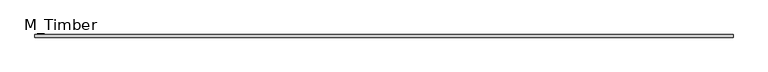
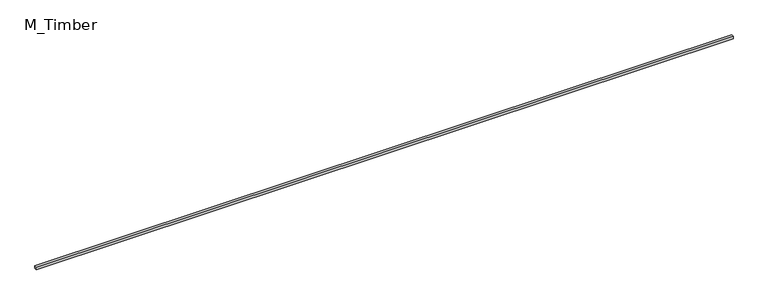
"""IFC4 building model written with IfcOpenShell, lengths in millimetres: beam geometry, M_Timber."""

import ifcopenshell
import ifcopenshell.guid

model = None  # the IFC model being written
_history = None  # IfcOwnerHistory: only IFC2X3 demands one
_inside = {}  # id of a spatial element -> (the spatial element, [elements in it])
_under = {}  # id of a project, library or spatial element -> (it, [spatial elements below it])
_declared = {}  # id of a project -> (the project, [libraries it declares])
_typed = {}  # id of a type object -> (the type object, [elements of that type])
_made_of = {}  # id of a material, layer set ... -> (it, [elements and type objects made of it])


def new_model(schema):
    """Start an empty IFC model of exactly this schema.

    Asked for "IFC4X3", IfcOpenShell would pick the latest addendum, in which some entities
    have other attributes; the version numbers below select the first issue.
    IFC2X3 requires an IfcOwnerHistory on every rooted entity: one is made here for all.
    """
    global model, _history
    if schema == "IFC4X3":
        model = ifcopenshell.file(schema_version=(4, 3, 0, 0))
    else:
        model = ifcopenshell.file(schema=schema)
    _inside.clear()
    _under.clear()
    _declared.clear()
    _typed.clear()
    _made_of.clear()
    _history = None
    if model.schema == "IFC2X3":
        org = make("IfcOrganization", Name="unknown")
        user = make(
            "IfcPersonAndOrganization",
            ThePerson=make("IfcPerson", FamilyName="unknown"),
            TheOrganization=org,
        )
        app = make(
            "IfcApplication",
            ApplicationDeveloper=org,
            Version="unknown",
            ApplicationFullName="unknown",
            ApplicationIdentifier="unknown",
        )
        _history = make(
            "IfcOwnerHistory",
            OwningUser=user,
            OwningApplication=app,
            ChangeAction="ADDED",
            CreationDate=0,
        )
    return model


def make(cls, **values):
    """One entity of the class cls with the attributes given. An attribute that is None is left unset."""
    return model.create_entity(
        cls, **{name: value for name, value in values.items() if value is not None}
    )


def rooted(cls, **values):
    """An entity with a GlobalId (a new one), such as an element, a storey or a relation."""
    return make(cls, GlobalId=ifcopenshell.guid.new(), OwnerHistory=_history, **values)


def si_unit(unit_type, name, prefix=None):
    """IfcSIUnit, for example si_unit("LENGTHUNIT", "METRE", prefix="MILLI")."""
    return make("IfcSIUnit", UnitType=unit_type, Prefix=prefix, Name=name)


def assignment(units):
    """IfcUnitAssignment: the units of a project."""
    return None if units is None else make("IfcUnitAssignment", Units=units)


def point(xyz):
    """IfcCartesianPoint."""
    return None if xyz is None else make("IfcCartesianPoint", Coordinates=xyz)


def direction(xyz):
    """IfcDirection."""
    return None if xyz is None else make("IfcDirection", DirectionRatios=xyz)


def frame(location, z_axis=None, x_axis=None):
    """IfcAxis2Placement3D, a coordinate frame: its origin and axes. An axis left out is left unset."""
    return make(
        "IfcAxis2Placement3D",
        Location=point(location),
        Axis=direction(z_axis),
        RefDirection=direction(x_axis),
    )


def origin():
    """The frame at (0, 0, 0) with its axes left unset."""
    return frame((0.0, 0.0, 0.0))


def place(relative_to, where):
    """IfcLocalPlacement: puts the frame where relative to a parent placement (None: the world)."""
    return make(
        "IfcLocalPlacement", PlacementRelTo=relative_to, RelativePlacement=where
    )


def context(
    kind, dimensions, precision=None, world=None, true_north=None, identifier=None
):
    """IfcGeometricRepresentationContext, for example the 3D "Model" context."""
    return make(
        "IfcGeometricRepresentationContext",
        ContextIdentifier=identifier,
        ContextType=kind,
        CoordinateSpaceDimension=dimensions,
        Precision=precision,
        WorldCoordinateSystem=world,
        TrueNorth=true_north,
    )


def project(units=None, contexts=None):
    """IfcProject with its units and contexts."""
    return rooted(
        "IfcProject",
        Name="project",
        RepresentationContexts=contexts,
        UnitsInContext=assignment(units),
    )


def spatial(cls, under=None, at=None, **own):
    """A site, building, storey or space (cls), placed at a placement, below another one or the project."""
    s = rooted(cls, ObjectPlacement=at, **own)
    if under is not None:
        _under.setdefault(under.id(), (under, []))[1].append(s)
    return s


def polyline(points):
    """IfcPolyline through the points."""
    return make("IfcPolyline", Points=[point(p) for p in points])


def outline(outer, holes=None, kind="AREA"):
    """IfcArbitraryClosedProfileDef: a profile drawn as a closed curve; with holes, ...WithVoids."""
    if holes is None:
        return make("IfcArbitraryClosedProfileDef", ProfileType=kind, OuterCurve=outer)
    return make(
        "IfcArbitraryProfileDefWithVoids",
        ProfileType=kind,
        OuterCurve=outer,
        InnerCurves=holes,
    )


def extrude(swept, where, along, depth):
    """IfcExtrudedAreaSolid: the profile swept, set in the frame where, extruded along a direction by depth."""
    return make(
        "IfcExtrudedAreaSolid",
        SweptArea=swept,
        Position=where,
        ExtrudedDirection=direction(along),
        Depth=depth,
    )


def shape(context_of_items, identifier, shape_type, items):
    """IfcShapeRepresentation: the items that make up one representation, for example the "Body"."""
    return make(
        "IfcShapeRepresentation",
        ContextOfItems=context_of_items,
        RepresentationIdentifier=identifier,
        RepresentationType=shape_type,
        Items=items,
    )


def source(mapping_origin, context_of_items, identifier, shape_type, items):
    """IfcRepresentationMap: a shape defined once, which mapped items show again and again."""
    return make(
        "IfcRepresentationMap",
        MappingOrigin=mapping_origin,
        MappedRepresentation=shape(context_of_items, identifier, shape_type, items),
    )


def transform(
    local_origin,
    x_axis=None,
    y_axis=None,
    z_axis=None,
    scale=None,
    scale2=None,
    scale3=None,
    uniform=True,
):
    """IfcCartesianTransformationOperator3D, or its non-uniform kind. x_axis, y_axis, z_axis: its Axis1, 2, 3."""
    if uniform:
        return make(
            "IfcCartesianTransformationOperator3D",
            Axis1=direction(x_axis),
            Axis2=direction(y_axis),
            LocalOrigin=point(local_origin),
            Scale=scale,
            Axis3=direction(z_axis),
        )
    return make(
        "IfcCartesianTransformationOperator3DnonUniform",
        Axis1=direction(x_axis),
        Axis2=direction(y_axis),
        LocalOrigin=point(local_origin),
        Scale=scale,
        Axis3=direction(z_axis),
        Scale2=scale2,
        Scale3=scale3,
    )


def mapped(mapping_source, mapping_target):
    """IfcMappedItem: shows the shape of a source again, moved by a transform."""
    return make(
        "IfcMappedItem", MappingSource=mapping_source, MappingTarget=mapping_target
    )


def made_of(thing, what):
    """Note that an element or type object is made of a material, layer set ...; save() writes the relation."""
    if what is not None:
        _made_of.setdefault(what.id(), (what, []))[1].append(thing)
    return thing


def element(
    cls,
    number,
    at=None,
    inside=None,
    cuts=None,
    type_object=None,
    material=None,
    context=None,
    identifier="Body",
    shape_type=None,
    held_by="IfcProductDefinitionShape",
    body=None,
    shapes=None,
    **own,
):
    """One element of the class cls, such as IfcWall. Its Tag is "e" and its number.

    at: its placement. inside: the storey or other place that contains it. cuts: it is an
    opening in that element (IfcRelVoidsElement). A single representation is given by context,
    identifier, shape_type and body (its items); several are given by shapes. held_by: the class
    of the entity that holds the representations. save() writes the other relations.
    """
    e = rooted(cls, Tag="e%d" % number, ObjectPlacement=at, **own)
    if body is not None:
        shapes = [shape(context, identifier, shape_type, body)]
    if shapes is not None:
        e.Representation = make(held_by, Representations=shapes)
    if inside is not None:
        _inside.setdefault(inside.id(), (inside, []))[1].append(e)
    if cuts is not None:
        rooted(
            "IfcRelVoidsElement", RelatingBuildingElement=cuts, RelatedOpeningElement=e
        )
    if type_object is not None:
        _typed.setdefault(type_object.id(), (type_object, []))[1].append(e)
    return made_of(e, material)


def aggregate(whole, parts):
    """IfcRelAggregates: a whole, such as a stair, and the parts it consists of."""
    return rooted("IfcRelAggregates", RelatingObject=whole, RelatedObjects=parts)


def save(model, path):
    """Write the relations noted so far, then the file.

    IfcRelAggregates (storeys below a building ...), IfcRelContainedInSpatialStructure (elements
    in a storey), IfcRelDefinesByType, IfcRelAssociatesMaterial and IfcRelDeclares: one each for
    every whole, place, type object, material and project.
    """
    for whole, parts in _under.values():
        aggregate(whole, parts)
    for where, things in _inside.values():
        rooted(
            "IfcRelContainedInSpatialStructure",
            RelatedElements=things,
            RelatingStructure=where,
        )
    for kind, things in _typed.values():
        rooted("IfcRelDefinesByType", RelatedObjects=things, RelatingType=kind)
    for what, things in _made_of.values():
        rooted("IfcRelAssociatesMaterial", RelatedObjects=things, RelatingMaterial=what)
    for by, libraries in _declared.values():
        rooted("IfcRelDeclares", RelatingContext=by, RelatedDefinitions=libraries)
    model.write(path)


def m_timber_2d81d863(model_context):
    return source(origin(), model_context, "Body", "SweptSolid", [
        extrude(outline(polyline([(5300.0070053, 20.0), (5300.0070053, -20.0), (-5300.0070053, -20.0), (-5300.0070053, 20.0), (5300.0070053, 20.0)])), frame((0.0, 0.0, -20.0), z_axis=(0.0, 0.0, 1.0), x_axis=(1.0, 0.0, 0.0)), (0.0, 0.0, 1.0), 40.0),
    ])


if __name__ == "__main__":
    model = new_model("IFC4")
    model_context = context("Model", 3, world=origin())
    ifc_project = project(units=[si_unit("LENGTHUNIT", "METRE", prefix="MILLI")], contexts=[model_context])
    site = spatial("IfcSite", under=ifc_project)
    building = spatial("IfcBuilding", under=site)
    placement = place(None, origin())
    m_timber_shape = m_timber_2d81d863(model_context)
    element("IfcBeam", 1, ObjectType="M_Timber", at=placement, inside=building, context=model_context, shape_type="MappedRepresentation", body=[
        mapped(m_timber_shape, transform((0.0, 0.0, 0.0), x_axis=(1.0, 0.0, 0.0), y_axis=(0.0, 1.0, 0.0), z_axis=(0.0, 0.0, 1.0))),
    ])
    save(model, "model.ifc")
